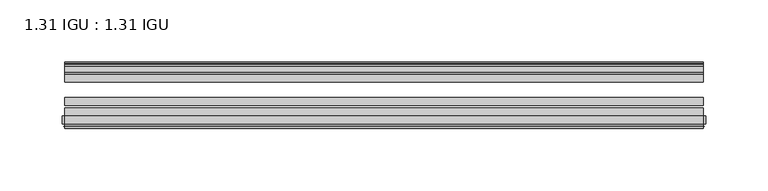
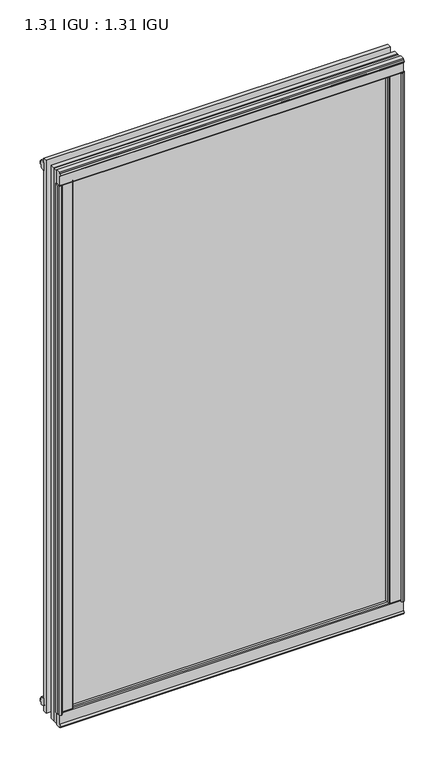
"""IFC4 building model written with IfcOpenShell, lengths in millimetres: plate geometry, 1.31 IGU : 1.31 IGU."""

from ifc_helpers import new_model, si_unit, point, frame, frame_2d, origin, origin_with_axes, place, context, project, spatial, polyline, circle_curve, trimmed, segment, composite_curve, outline, extrude, source, transform, mapped, element, save


def plate_1_31_igu_1_31_igu_e6253dce(model_context):
    return source(origin(), model_context, "Body", "SweptSolid", [
        extrude(outline(polyline([(243.1587512, -11.1943457), (241.7567178, -11.5700195), (241.5266277, -10.7113114), (243.9396277, -10.06475), (246.3526277, -10.7113114), (246.1225376, -11.5700195), (244.7205042, -11.1943457), (245.3366277, -13.49375), (249.0152018, -13.49375), (249.0152018, -18.1284104), (247.5865571, -19.84375), (235.8738865, -19.84375), (237.5896277, -13.49375), (242.5426277, -13.49375), (243.1587512, -11.1943457)])), origin_with_axes(), (0.0, 0.0, 1.0), 831.85),
        extrude(outline(polyline([(-243.1587512, -11.1943457), (-242.5426277, -13.49375), (-237.5896277, -13.49375), (-235.8738865, -19.84375), (-247.5865571, -19.84375), (-249.0152018, -18.1284104), (-249.0152018, -13.49375), (-245.3366277, -13.49375), (-244.7205042, -11.1943457), (-246.1225376, -11.5700195), (-246.3526277, -10.7113114), (-243.9396277, -10.06475), (-241.5266277, -10.7113114), (-241.7567178, -11.5700195), (-243.1587512, -11.1943457)])), origin_with_axes(), (0.0, 0.0, 1.0), 831.85),
        extrude(outline(polyline([(-13.49375, -5.7276998), (-11.1943457, -6.3438233), (-11.5700195, -4.9417899), (-10.7113114, -4.7116998), (-10.06475, -7.1246998), (-10.7113114, -9.5376998), (-11.5700195, -9.3076097), (-11.1943457, -7.9055763), (-13.49375, -8.5216998), (-13.49375, -12.2002739), (-18.1284104, -12.2002739), (-19.84375, -10.7716292), (-19.84375, 0.9410414), (-13.49375, -0.7746998), (-13.49375, -5.7276998)])), frame((-255.8522277, 0.0, 0.0), z_axis=(1.0, 0.0, 0.0), x_axis=(0.0, 1.0, 0.0)), (0.0, 0.0, 1.0), 511.7044554),
        extrude(outline(composite_curve([segment(polyline([(-55.9719113, 2.457708), (-53.16855, 3.0868452), (-53.16855, -20.9097918), (-59.51855, -20.9097918), (-59.51855, -18.6868471), (-62.0391488, -18.0752025), (-61.5965021, -19.0933159), (-61.5965021, -19.98942), (-63.2729251, -17.4063265), (-61.3290281, -15.2058028), (-61.3290281, -16.0360741), (-61.9417436, -16.9618553), (-59.51855, -16.8077164), (-59.51855, 0.6826418)]), True, "CONTINUOUS"), segment(trimmed(circle_curve(frame_2d((-58.24855, 0.6826418)), 1.27), [point((-59.51855, 0.6826418))], [point((-58.6007815, 1.9028193))], False, "CARTESIAN"), True, "CONTINUOUS"), segment(polyline([(-58.6007815, 1.9028193), (-55.9719113, 2.457708)]), True, "CONTINUOUS")], self_intersect=False)), frame((-255.8522277, 0.0, 0.0), z_axis=(1.0, 0.0, 0.0), x_axis=(0.0, 1.0, 0.0)), (0.0, 0.0, 1.0), 511.7044554),
        extrude(outline(polyline([(-13.49375, 837.5776998), (-13.49375, 832.6246998), (-19.84375, 830.9089586), (-19.84375, 842.6216292), (-18.1284104, 844.0502739), (-13.49375, 844.0502739), (-13.49375, 840.3716998), (-11.1943457, 839.7555763), (-11.5700195, 841.1576097), (-10.7113114, 841.3876998), (-10.06475, 838.9746998), (-10.7113114, 836.5616998), (-11.5700195, 836.7917899), (-11.1943457, 838.1938233), (-13.49375, 837.5776998)])), frame((-255.8522277, 0.0, 0.0), z_axis=(1.0, 0.0, 0.0), x_axis=(0.0, 1.0, 0.0)), (0.0, 0.0, 1.0), 511.7044554),
        extrude(outline(composite_curve([segment(polyline([(-55.9719113, 829.392292), (-58.6007815, 829.9471807)]), True, "CONTINUOUS"), segment(trimmed(circle_curve(frame_2d((-58.24855, 831.1673582)), 1.27), [point((-58.6007815, 829.9471807))], [point((-59.51855, 831.1673582))], False, "CARTESIAN"), True, "CONTINUOUS"), segment(polyline([(-59.51855, 831.1673582), (-59.51855, 848.6577164), (-61.9417436, 848.8118553), (-61.3290281, 847.8860741), (-61.3290281, 847.0558028), (-63.2729251, 849.2563265), (-61.5965021, 851.83942), (-61.5965021, 850.9433159), (-62.0391488, 849.9252025), (-59.51855, 850.5368471), (-59.51855, 852.7597918), (-53.16855, 852.7597918), (-53.16855, 828.7631548), (-55.9719113, 829.392292)]), True, "CONTINUOUS")], self_intersect=False)), frame((-255.8522277, 0.0, 0.0), z_axis=(1.0, 0.0, 0.0), x_axis=(0.0, 1.0, 0.0)), (0.0, 0.0, 1.0), 511.7044554),
        extrude(outline(composite_curve([segment(polyline([(-254.2212544, -63.2729251), (-256.8043479, -61.5965021), (-255.9082437, -61.5965021), (-254.8901304, -62.0391488), (-255.501775, -59.51855), (-257.7247197, -59.51855), (-257.7247197, -53.16855), (-233.7280827, -53.16855), (-234.3572199, -55.9719113), (-234.9121086, -58.6007815)]), True, "CONTINUOUS"), segment(trimmed(circle_curve(frame_2d((-236.1322861, -58.24855)), 1.27), [point((-234.9121086, -58.6007815))], [point((-236.1322861, -59.51855))], False, "CARTESIAN"), True, "CONTINUOUS"), segment(polyline([(-236.1322861, -59.51855), (-253.6226443, -59.51855), (-253.7767832, -61.9417436), (-252.851002, -61.3290281), (-252.039474, -61.3290281), (-254.2212544, -63.2729251)]), True, "CONTINUOUS")], self_intersect=False)), origin_with_axes(), (0.0, 0.0, 1.0), 831.85),
        extrude(outline(composite_curve([segment(polyline([(254.2212544, -63.2729251), (252.039474, -61.3290281), (252.851002, -61.3290281), (253.7767832, -61.9417436), (253.6226443, -59.51855), (236.1322861, -59.51855)]), True, "CONTINUOUS"), segment(trimmed(circle_curve(frame_2d((236.1322861, -58.24855)), 1.27), [point((236.1322861, -59.51855))], [point((234.9121086, -58.6007815))], False, "CARTESIAN"), True, "CONTINUOUS"), segment(polyline([(234.9121086, -58.6007815), (234.3572199, -55.9719113), (233.7280827, -53.16855), (257.7247197, -53.16855), (257.7247197, -59.51855), (255.501775, -59.51855), (254.8901304, -62.0391488), (255.9082437, -61.5965021), (256.8043479, -61.5965021), (254.2212544, -63.2729251)]), True, "CONTINUOUS")], self_intersect=False)), origin_with_axes(), (0.0, 0.0, 1.0), 831.85),
        extrude(outline(polyline([(255.8522277, -19.84375), (255.8522277, -26.14295), (-255.8522277, -26.14295), (-255.8522277, -19.84375), (255.8522277, -19.84375)])), frame((0.0, 0.0, -19.05), z_axis=(0.0, 0.0, 1.0), x_axis=(1.0, 0.0, 0.0)), (0.0, 0.0, 1.0), 869.95),
        extrude(outline(polyline([(-255.8522277, -44.83735), (-255.8522277, -38.53815), (255.8522277, -38.53815), (255.8522277, -44.83735), (-255.8522277, -44.83735)])), frame((0.0, 0.0, -19.05), z_axis=(0.0, 0.0, 1.0), x_axis=(1.0, 0.0, 0.0)), (0.0, 0.0, 1.0), 869.95),
        extrude(outline(polyline([(-255.8522277, -53.16855), (-255.8522277, -46.86935), (255.8522277, -46.86935), (255.8522277, -53.16855), (-255.8522277, -53.16855)])), frame((0.0, 0.0, -19.05), z_axis=(0.0, 0.0, 1.0), x_axis=(1.0, 0.0, 0.0)), (0.0, 0.0, 1.0), 869.95),
    ])


if __name__ == "__main__":
    model = new_model("IFC4")
    model_context = context("Model", 3, world=origin())
    ifc_project = project(units=[si_unit("LENGTHUNIT", "METRE", prefix="MILLI")], contexts=[model_context])
    site = spatial("IfcSite", under=ifc_project)
    building = spatial("IfcBuilding", under=site)
    placement = place(None, origin())
    plate_1_31_igu_1_31_igu_shape = plate_1_31_igu_1_31_igu_e6253dce(model_context)
    element("IfcPlate", 1, ObjectType="1.31 IGU : 1.31 IGU", at=placement, inside=building, context=model_context, shape_type="MappedRepresentation", body=[
        mapped(plate_1_31_igu_1_31_igu_shape, transform((0.0, 0.0, 0.0), x_axis=(1.0, 0.0, 0.0), y_axis=(0.0, 1.0, 0.0), z_axis=(0.0, 0.0, 1.0))),
    ])
    save(model, "model.ifc")
